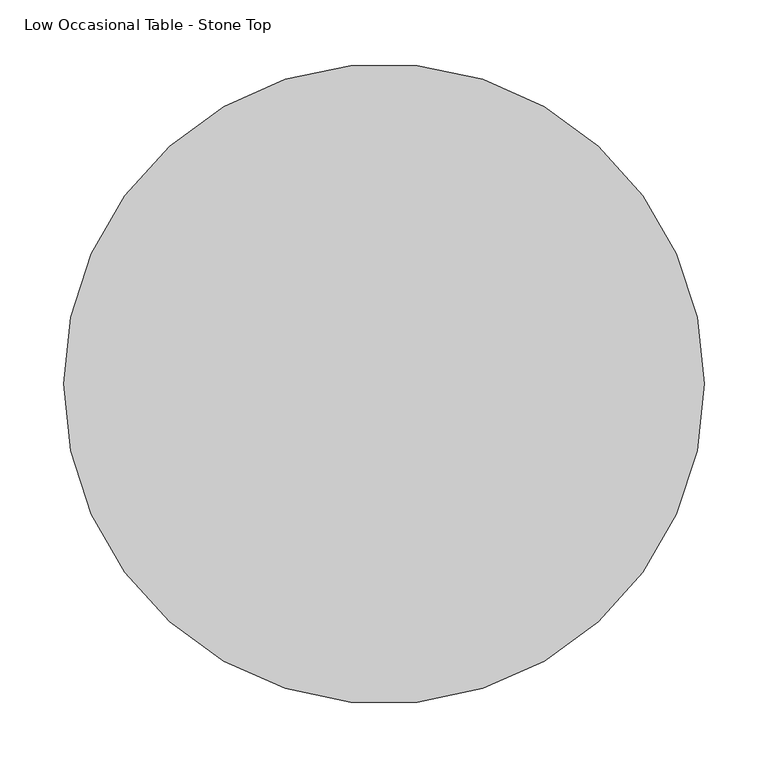
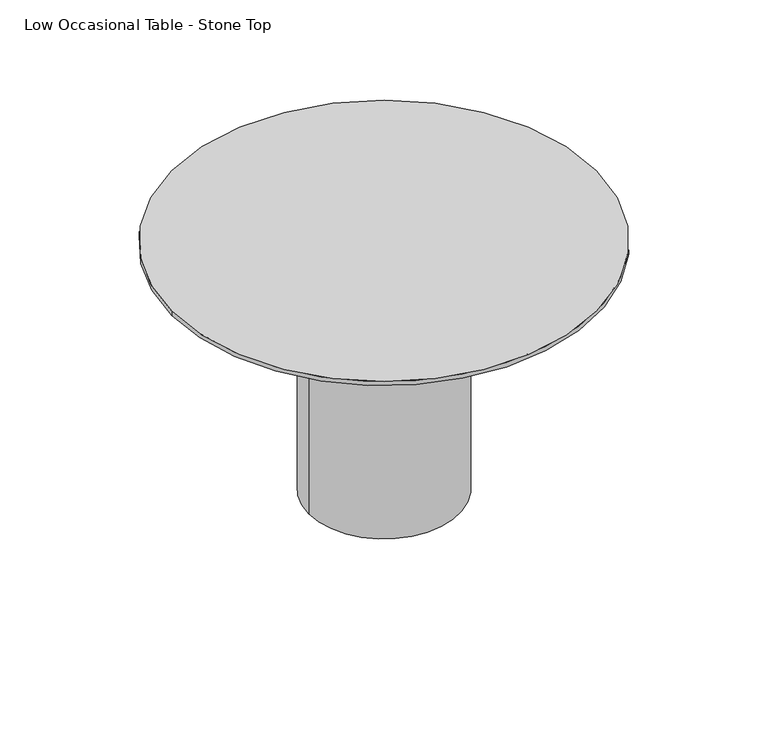
"""IFC4 building model written with IfcOpenShell, lengths in millimetres: furniture geometry, Low Occasional Table - Stone Top."""

import ifcopenshell
import ifcopenshell.guid

model = None  # the IFC model being written
_history = None  # IfcOwnerHistory: only IFC2X3 demands one
_inside = {}  # id of a spatial element -> (the spatial element, [elements in it])
_under = {}  # id of a project, library or spatial element -> (it, [spatial elements below it])
_declared = {}  # id of a project -> (the project, [libraries it declares])
_typed = {}  # id of a type object -> (the type object, [elements of that type])
_made_of = {}  # id of a material, layer set ... -> (it, [elements and type objects made of it])


def new_model(schema):
    """Start an empty IFC model of exactly this schema.

    Asked for "IFC4X3", IfcOpenShell would pick the latest addendum, in which some entities
    have other attributes; the version numbers below select the first issue.
    IFC2X3 requires an IfcOwnerHistory on every rooted entity: one is made here for all.
    """
    global model, _history
    if schema == "IFC4X3":
        model = ifcopenshell.file(schema_version=(4, 3, 0, 0))
    else:
        model = ifcopenshell.file(schema=schema)
    _inside.clear()
    _under.clear()
    _declared.clear()
    _typed.clear()
    _made_of.clear()
    _history = None
    if model.schema == "IFC2X3":
        org = make("IfcOrganization", Name="unknown")
        user = make(
            "IfcPersonAndOrganization",
            ThePerson=make("IfcPerson", FamilyName="unknown"),
            TheOrganization=org,
        )
        app = make(
            "IfcApplication",
            ApplicationDeveloper=org,
            Version="unknown",
            ApplicationFullName="unknown",
            ApplicationIdentifier="unknown",
        )
        _history = make(
            "IfcOwnerHistory",
            OwningUser=user,
            OwningApplication=app,
            ChangeAction="ADDED",
            CreationDate=0,
        )
    return model


def make(cls, **values):
    """One entity of the class cls with the attributes given. An attribute that is None is left unset."""
    return model.create_entity(
        cls, **{name: value for name, value in values.items() if value is not None}
    )


def rooted(cls, **values):
    """An entity with a GlobalId (a new one), such as an element, a storey or a relation."""
    return make(cls, GlobalId=ifcopenshell.guid.new(), OwnerHistory=_history, **values)


def si_unit(unit_type, name, prefix=None):
    """IfcSIUnit, for example si_unit("LENGTHUNIT", "METRE", prefix="MILLI")."""
    return make("IfcSIUnit", UnitType=unit_type, Prefix=prefix, Name=name)


def assignment(units):
    """IfcUnitAssignment: the units of a project."""
    return None if units is None else make("IfcUnitAssignment", Units=units)


def point(xyz):
    """IfcCartesianPoint."""
    return None if xyz is None else make("IfcCartesianPoint", Coordinates=xyz)


def direction(xyz):
    """IfcDirection."""
    return None if xyz is None else make("IfcDirection", DirectionRatios=xyz)


def frame(location, z_axis=None, x_axis=None):
    """IfcAxis2Placement3D, a coordinate frame: its origin and axes. An axis left out is left unset."""
    return make(
        "IfcAxis2Placement3D",
        Location=point(location),
        Axis=direction(z_axis),
        RefDirection=direction(x_axis),
    )


def frame_2d(location, x_axis=None):
    """IfcAxis2Placement2D, a coordinate frame in the plane: its origin and x axis."""
    return make(
        "IfcAxis2Placement2D", Location=point(location), RefDirection=direction(x_axis)
    )


def origin():
    """The frame at (0, 0, 0) with its axes left unset."""
    return frame((0.0, 0.0, 0.0))


def origin_with_axes():
    """The frame at (0, 0, 0) with the z axis (0, 0, 1) and the x axis (1, 0, 0) written out."""
    return frame((0.0, 0.0, 0.0), z_axis=(0.0, 0.0, 1.0), x_axis=(1.0, 0.0, 0.0))


def origin_2d():
    """The frame at (0, 0) in the plane with its x axis left unset."""
    return frame_2d((0.0, 0.0))


def place(relative_to, where):
    """IfcLocalPlacement: puts the frame where relative to a parent placement (None: the world)."""
    return make(
        "IfcLocalPlacement", PlacementRelTo=relative_to, RelativePlacement=where
    )


def context(
    kind, dimensions, precision=None, world=None, true_north=None, identifier=None
):
    """IfcGeometricRepresentationContext, for example the 3D "Model" context."""
    return make(
        "IfcGeometricRepresentationContext",
        ContextIdentifier=identifier,
        ContextType=kind,
        CoordinateSpaceDimension=dimensions,
        Precision=precision,
        WorldCoordinateSystem=world,
        TrueNorth=true_north,
    )


def project(units=None, contexts=None):
    """IfcProject with its units and contexts."""
    return rooted(
        "IfcProject",
        Name="project",
        RepresentationContexts=contexts,
        UnitsInContext=assignment(units),
    )


def spatial(cls, under=None, at=None, **own):
    """A site, building, storey or space (cls), placed at a placement, below another one or the project."""
    s = rooted(cls, ObjectPlacement=at, **own)
    if under is not None:
        _under.setdefault(under.id(), (under, []))[1].append(s)
    return s


def circle_curve(where, radius):
    """IfcCircle in the frame where."""
    return make("IfcCircle", Position=where, Radius=radius)


def trimmed(basis, trim1, trim2, sense, master):
    """IfcTrimmedCurve: the piece of a basis curve between two trims."""
    return make(
        "IfcTrimmedCurve",
        BasisCurve=basis,
        Trim1=trim1,
        Trim2=trim2,
        SenseAgreement=sense,
        MasterRepresentation=master,
    )


def segment(curve, same_sense, transition):
    """IfcCompositeCurveSegment."""
    return make(
        "IfcCompositeCurveSegment",
        Transition=transition,
        SameSense=same_sense,
        ParentCurve=curve,
    )


def composite_curve(segments, self_intersect=None):
    """IfcCompositeCurve: segments joined end to end."""
    return make("IfcCompositeCurve", Segments=segments, SelfIntersect=self_intersect)


def outline(outer, holes=None, kind="AREA"):
    """IfcArbitraryClosedProfileDef: a profile drawn as a closed curve; with holes, ...WithVoids."""
    if holes is None:
        return make("IfcArbitraryClosedProfileDef", ProfileType=kind, OuterCurve=outer)
    return make(
        "IfcArbitraryProfileDefWithVoids",
        ProfileType=kind,
        OuterCurve=outer,
        InnerCurves=holes,
    )


def extrude(swept, where, along, depth):
    """IfcExtrudedAreaSolid: the profile swept, set in the frame where, extruded along a direction by depth."""
    return make(
        "IfcExtrudedAreaSolid",
        SweptArea=swept,
        Position=where,
        ExtrudedDirection=direction(along),
        Depth=depth,
    )


def shape(context_of_items, identifier, shape_type, items):
    """IfcShapeRepresentation: the items that make up one representation, for example the "Body"."""
    return make(
        "IfcShapeRepresentation",
        ContextOfItems=context_of_items,
        RepresentationIdentifier=identifier,
        RepresentationType=shape_type,
        Items=items,
    )


def source(mapping_origin, context_of_items, identifier, shape_type, items):
    """IfcRepresentationMap: a shape defined once, which mapped items show again and again."""
    return make(
        "IfcRepresentationMap",
        MappingOrigin=mapping_origin,
        MappedRepresentation=shape(context_of_items, identifier, shape_type, items),
    )


def transform(
    local_origin,
    x_axis=None,
    y_axis=None,
    z_axis=None,
    scale=None,
    scale2=None,
    scale3=None,
    uniform=True,
):
    """IfcCartesianTransformationOperator3D, or its non-uniform kind. x_axis, y_axis, z_axis: its Axis1, 2, 3."""
    if uniform:
        return make(
            "IfcCartesianTransformationOperator3D",
            Axis1=direction(x_axis),
            Axis2=direction(y_axis),
            LocalOrigin=point(local_origin),
            Scale=scale,
            Axis3=direction(z_axis),
        )
    return make(
        "IfcCartesianTransformationOperator3DnonUniform",
        Axis1=direction(x_axis),
        Axis2=direction(y_axis),
        LocalOrigin=point(local_origin),
        Scale=scale,
        Axis3=direction(z_axis),
        Scale2=scale2,
        Scale3=scale3,
    )


def mapped(mapping_source, mapping_target):
    """IfcMappedItem: shows the shape of a source again, moved by a transform."""
    return make(
        "IfcMappedItem", MappingSource=mapping_source, MappingTarget=mapping_target
    )


def made_of(thing, what):
    """Note that an element or type object is made of a material, layer set ...; save() writes the relation."""
    if what is not None:
        _made_of.setdefault(what.id(), (what, []))[1].append(thing)
    return thing


def element(
    cls,
    number,
    at=None,
    inside=None,
    cuts=None,
    type_object=None,
    material=None,
    context=None,
    identifier="Body",
    shape_type=None,
    held_by="IfcProductDefinitionShape",
    body=None,
    shapes=None,
    **own,
):
    """One element of the class cls, such as IfcWall. Its Tag is "e" and its number.

    at: its placement. inside: the storey or other place that contains it. cuts: it is an
    opening in that element (IfcRelVoidsElement). A single representation is given by context,
    identifier, shape_type and body (its items); several are given by shapes. held_by: the class
    of the entity that holds the representations. save() writes the other relations.
    """
    e = rooted(cls, Tag="e%d" % number, ObjectPlacement=at, **own)
    if body is not None:
        shapes = [shape(context, identifier, shape_type, body)]
    if shapes is not None:
        e.Representation = make(held_by, Representations=shapes)
    if inside is not None:
        _inside.setdefault(inside.id(), (inside, []))[1].append(e)
    if cuts is not None:
        rooted(
            "IfcRelVoidsElement", RelatingBuildingElement=cuts, RelatedOpeningElement=e
        )
    if type_object is not None:
        _typed.setdefault(type_object.id(), (type_object, []))[1].append(e)
    return made_of(e, material)


def aggregate(whole, parts):
    """IfcRelAggregates: a whole, such as a stair, and the parts it consists of."""
    return rooted("IfcRelAggregates", RelatingObject=whole, RelatedObjects=parts)


def save(model, path):
    """Write the relations noted so far, then the file.

    IfcRelAggregates (storeys below a building ...), IfcRelContainedInSpatialStructure (elements
    in a storey), IfcRelDefinesByType, IfcRelAssociatesMaterial and IfcRelDeclares: one each for
    every whole, place, type object, material and project.
    """
    for whole, parts in _under.values():
        aggregate(whole, parts)
    for where, things in _inside.values():
        rooted(
            "IfcRelContainedInSpatialStructure",
            RelatedElements=things,
            RelatingStructure=where,
        )
    for kind, things in _typed.values():
        rooted("IfcRelDefinesByType", RelatedObjects=things, RelatingType=kind)
    for what, things in _made_of.values():
        rooted("IfcRelAssociatesMaterial", RelatedObjects=things, RelatingMaterial=what)
    for by, libraries in _declared.values():
        rooted("IfcRelDeclares", RelatingContext=by, RelatedDefinitions=libraries)
    model.write(path)


def low_occasional_table_stone_top_f47422fa(model_context):
    return source(origin(), model_context, "Body", "SweptSolid", [
        extrude(outline(composite_curve([segment(trimmed(circle_curve(origin_2d(), 250.825), [point((250.825, 0.0))], [point((-250.825, 0.0))], False, "CARTESIAN"), True, "CONTINUOUS"), segment(trimmed(circle_curve(origin_2d(), 250.825), [point((-250.825, 0.0))], [point((250.825, 0.0))], False, "CARTESIAN"), True, "CONTINUOUS")], self_intersect=False)), frame((0.0, 0.0, 304.8), z_axis=(0.0, 0.0, 1.0), x_axis=(1.0, 0.0, 0.0)), (0.0, 0.0, 1.0), 5.08),
        extrude(outline(composite_curve([segment(trimmed(circle_curve(origin_2d(), 88.9), [point((88.9, 0.0))], [point((-88.9, 0.0))], False, "CARTESIAN"), True, "CONTINUOUS"), segment(trimmed(circle_curve(origin_2d(), 88.9), [point((-88.9, 0.0))], [point((88.9, 0.0))], False, "CARTESIAN"), True, "CONTINUOUS")], self_intersect=False)), origin_with_axes(), (0.0, 0.0, 1.0), 304.8),
    ])


if __name__ == "__main__":
    model = new_model("IFC4")
    model_context = context("Model", 3, world=origin())
    ifc_project = project(units=[si_unit("LENGTHUNIT", "METRE", prefix="MILLI")], contexts=[model_context])
    site = spatial("IfcSite", under=ifc_project)
    building = spatial("IfcBuilding", under=site)
    placement = place(None, origin())
    low_occasional_table_stone_top_shape = low_occasional_table_stone_top_f47422fa(model_context)
    element("IfcFurniture", 1, ObjectType="Low Occasional Table - Stone Top", at=placement, inside=building, context=model_context, shape_type="MappedRepresentation", body=[
        mapped(low_occasional_table_stone_top_shape, transform((0.0, 0.0, 0.0), x_axis=(1.0, 0.0, 0.0), y_axis=(0.0, 1.0, 0.0), z_axis=(0.0, 0.0, 1.0))),
    ])
    save(model, "model.ifc")
